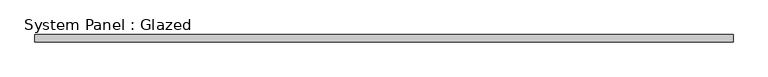
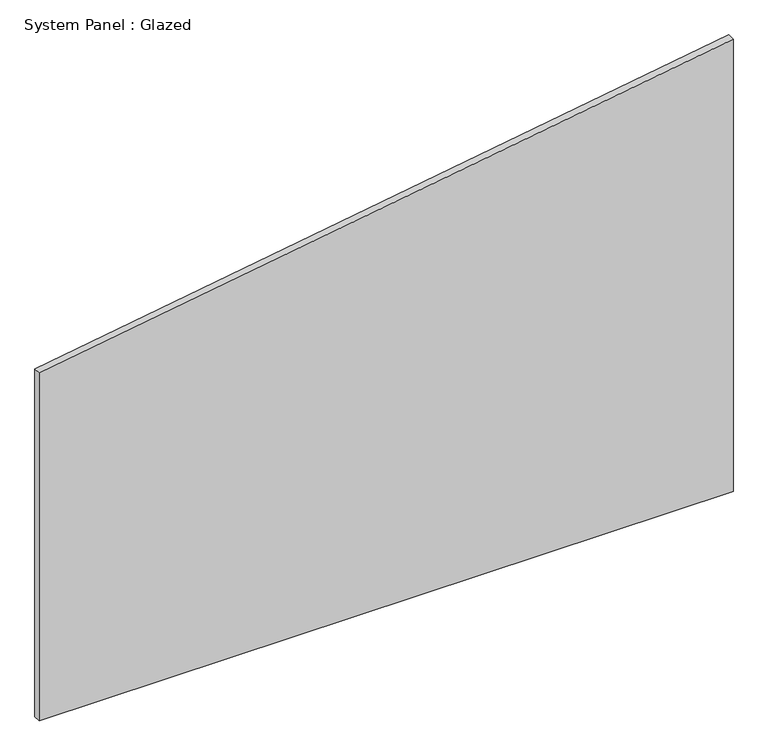
"""IFC4 building model written with IfcOpenShell, lengths in millimetres: plate geometry, System Panel : Glazed."""

from ifc_helpers import new_model, si_unit, frame, origin, place, context, project, spatial, polyline, outline, extrude, source, transform, mapped, element, save


def system_panel_glazed_716af293(model_context):
    return source(origin(), model_context, "Body", "SweptSolid", [
        extrude(outline(polyline([(0.0, -1171.7121958), (0.0, 1171.7121958), (1615.7582258, 1171.7121958), (1242.7725976, -1171.7121958), (0.0, -1171.7121958)])), frame((0.0, -49.5, 0.0), z_axis=(0.0, 1.0, 0.0), x_axis=(0.0, 0.0, 1.0)), (0.0, 0.0, 1.0), 25.0),
    ])


if __name__ == "__main__":
    model = new_model("IFC4")
    model_context = context("Model", 3, world=origin())
    ifc_project = project(units=[si_unit("LENGTHUNIT", "METRE", prefix="MILLI")], contexts=[model_context])
    site = spatial("IfcSite", under=ifc_project)
    building = spatial("IfcBuilding", under=site)
    placement = place(None, origin())
    system_panel_glazed_shape = system_panel_glazed_716af293(model_context)
    element("IfcPlate", 1, ObjectType="System Panel : Glazed", at=placement, inside=building, context=model_context, shape_type="MappedRepresentation", body=[
        mapped(system_panel_glazed_shape, transform((0.0, 0.0, 0.0), x_axis=(1.0, 0.0, 0.0), y_axis=(0.0, 1.0, 0.0), z_axis=(0.0, 0.0, 1.0))),
    ])
    save(model, "model.ifc")
